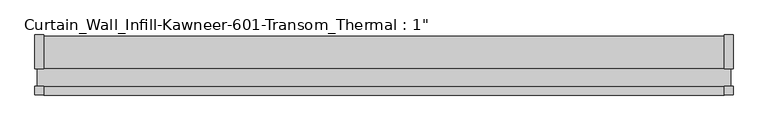
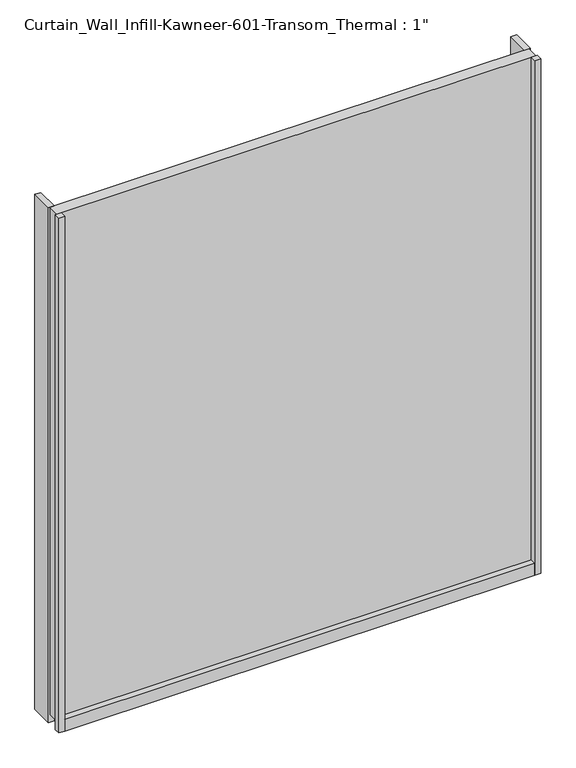
"""IFC4 building model written with IfcOpenShell, lengths in millimetres: plate geometry."""

from ifc_helpers import new_model, si_unit, frame, origin, origin_with_axes, place, context, project, spatial, polyline, outline, extrude, source, transform, mapped, element, save


def plate_c23f02f3(model_context):
    return source(origin(), model_context, "Body", "SweptSolid", [
        extrude(outline(polyline([(510.16996, 62.0401131), (510.16996, 12.7), (497.46996, 12.7), (497.46996, 62.0401131), (510.16996, 62.0401131)])), origin_with_axes(), (0.0, 0.0, 1.0), 1152.525),
        extrude(outline(polyline([(497.46996, -25.2723869), (497.46996, -12.7), (510.16996, -12.7), (510.16996, -25.2723869), (497.46996, -25.2723869)])), origin_with_axes(), (0.0, 0.0, 1.0), 1152.525),
        extrude(outline(polyline([(-510.16996, 62.0401131), (-497.46996, 62.0401131), (-497.46996, 12.7), (-510.16996, 12.7), (-510.16996, 62.0401131)])), origin_with_axes(), (0.0, 0.0, 1.0), 1152.525),
        extrude(outline(polyline([(-497.46996, -25.2723869), (-510.16996, -25.2723869), (-510.16996, -12.7), (-497.46996, -12.7), (-497.46996, -25.2723869)])), origin_with_axes(), (0.0, 0.0, 1.0), 1152.525),
        extrude(outline(polyline([(-12.7, 26.9875), (-12.7, 17.4625), (12.7, 17.4625), (12.7, 26.9875), (60.091499, 26.9875), (60.091499, 0.0), (-25.625216, 0.0), (-25.625216, 26.9875), (-12.7, 26.9875)])), frame((-497.46996, 0.0, 0.0), z_axis=(1.0, 0.0, 0.0), x_axis=(0.0, 1.0, 0.0)), (0.0, 0.0, 1.0), 994.93992),
        extrude(outline(polyline([(-506.99496, -12.7), (-506.99496, 12.7), (506.99496, 12.7), (506.99496, -12.7), (-506.99496, -12.7)])), frame((0.0, 0.0, 17.4625), z_axis=(0.0, 0.0, 1.0), x_axis=(1.0, 0.0, 0.0)), (0.0, 0.0, 1.0), 1135.0625),
    ])


if __name__ == "__main__":
    model = new_model("IFC4")
    model_context = context("Model", 3, world=origin())
    ifc_project = project(units=[si_unit("LENGTHUNIT", "METRE", prefix="MILLI")], contexts=[model_context])
    site = spatial("IfcSite", under=ifc_project)
    building = spatial("IfcBuilding", under=site)
    placement = place(None, origin())
    plate_shape = plate_c23f02f3(model_context)
    element("IfcPlate", 1, ObjectType="Curtain_Wall_Infill-Kawneer-601-Transom_Thermal : 1\"", at=placement, inside=building, context=model_context, shape_type="MappedRepresentation", body=[
        mapped(plate_shape, transform((0.0, 0.0, 0.0), x_axis=(1.0, 0.0, 0.0), y_axis=(0.0, 1.0, 0.0), z_axis=(0.0, 0.0, 1.0))),
    ])
    save(model, "model.ifc")
